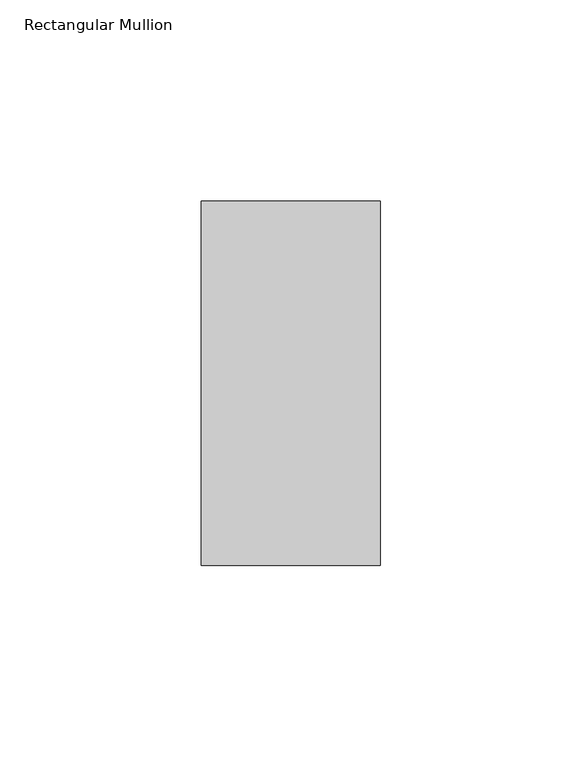
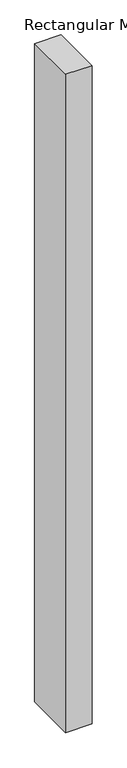
"""IFC4 building model written with IfcOpenShell, lengths in millimetres: member geometry, Rectangular Mullion."""

import ifcopenshell
import ifcopenshell.guid

model = None  # the IFC model being written
_history = None  # IfcOwnerHistory: only IFC2X3 demands one
_inside = {}  # id of a spatial element -> (the spatial element, [elements in it])
_under = {}  # id of a project, library or spatial element -> (it, [spatial elements below it])
_declared = {}  # id of a project -> (the project, [libraries it declares])
_typed = {}  # id of a type object -> (the type object, [elements of that type])
_made_of = {}  # id of a material, layer set ... -> (it, [elements and type objects made of it])


def new_model(schema):
    """Start an empty IFC model of exactly this schema.

    Asked for "IFC4X3", IfcOpenShell would pick the latest addendum, in which some entities
    have other attributes; the version numbers below select the first issue.
    IFC2X3 requires an IfcOwnerHistory on every rooted entity: one is made here for all.
    """
    global model, _history
    if schema == "IFC4X3":
        model = ifcopenshell.file(schema_version=(4, 3, 0, 0))
    else:
        model = ifcopenshell.file(schema=schema)
    _inside.clear()
    _under.clear()
    _declared.clear()
    _typed.clear()
    _made_of.clear()
    _history = None
    if model.schema == "IFC2X3":
        org = make("IfcOrganization", Name="unknown")
        user = make(
            "IfcPersonAndOrganization",
            ThePerson=make("IfcPerson", FamilyName="unknown"),
            TheOrganization=org,
        )
        app = make(
            "IfcApplication",
            ApplicationDeveloper=org,
            Version="unknown",
            ApplicationFullName="unknown",
            ApplicationIdentifier="unknown",
        )
        _history = make(
            "IfcOwnerHistory",
            OwningUser=user,
            OwningApplication=app,
            ChangeAction="ADDED",
            CreationDate=0,
        )
    return model


def make(cls, **values):
    """One entity of the class cls with the attributes given. An attribute that is None is left unset."""
    return model.create_entity(
        cls, **{name: value for name, value in values.items() if value is not None}
    )


def rooted(cls, **values):
    """An entity with a GlobalId (a new one), such as an element, a storey or a relation."""
    return make(cls, GlobalId=ifcopenshell.guid.new(), OwnerHistory=_history, **values)


def si_unit(unit_type, name, prefix=None):
    """IfcSIUnit, for example si_unit("LENGTHUNIT", "METRE", prefix="MILLI")."""
    return make("IfcSIUnit", UnitType=unit_type, Prefix=prefix, Name=name)


def assignment(units):
    """IfcUnitAssignment: the units of a project."""
    return None if units is None else make("IfcUnitAssignment", Units=units)


def point(xyz):
    """IfcCartesianPoint."""
    return None if xyz is None else make("IfcCartesianPoint", Coordinates=xyz)


def direction(xyz):
    """IfcDirection."""
    return None if xyz is None else make("IfcDirection", DirectionRatios=xyz)


def frame(location, z_axis=None, x_axis=None):
    """IfcAxis2Placement3D, a coordinate frame: its origin and axes. An axis left out is left unset."""
    return make(
        "IfcAxis2Placement3D",
        Location=point(location),
        Axis=direction(z_axis),
        RefDirection=direction(x_axis),
    )


def origin():
    """The frame at (0, 0, 0) with its axes left unset."""
    return frame((0.0, 0.0, 0.0))


def place(relative_to, where):
    """IfcLocalPlacement: puts the frame where relative to a parent placement (None: the world)."""
    return make(
        "IfcLocalPlacement", PlacementRelTo=relative_to, RelativePlacement=where
    )


def context(
    kind, dimensions, precision=None, world=None, true_north=None, identifier=None
):
    """IfcGeometricRepresentationContext, for example the 3D "Model" context."""
    return make(
        "IfcGeometricRepresentationContext",
        ContextIdentifier=identifier,
        ContextType=kind,
        CoordinateSpaceDimension=dimensions,
        Precision=precision,
        WorldCoordinateSystem=world,
        TrueNorth=true_north,
    )


def project(units=None, contexts=None):
    """IfcProject with its units and contexts."""
    return rooted(
        "IfcProject",
        Name="project",
        RepresentationContexts=contexts,
        UnitsInContext=assignment(units),
    )


def spatial(cls, under=None, at=None, **own):
    """A site, building, storey or space (cls), placed at a placement, below another one or the project."""
    s = rooted(cls, ObjectPlacement=at, **own)
    if under is not None:
        _under.setdefault(under.id(), (under, []))[1].append(s)
    return s


def polyline(points):
    """IfcPolyline through the points."""
    return make("IfcPolyline", Points=[point(p) for p in points])


def outline(outer, holes=None, kind="AREA"):
    """IfcArbitraryClosedProfileDef: a profile drawn as a closed curve; with holes, ...WithVoids."""
    if holes is None:
        return make("IfcArbitraryClosedProfileDef", ProfileType=kind, OuterCurve=outer)
    return make(
        "IfcArbitraryProfileDefWithVoids",
        ProfileType=kind,
        OuterCurve=outer,
        InnerCurves=holes,
    )


def extrude(swept, where, along, depth):
    """IfcExtrudedAreaSolid: the profile swept, set in the frame where, extruded along a direction by depth."""
    return make(
        "IfcExtrudedAreaSolid",
        SweptArea=swept,
        Position=where,
        ExtrudedDirection=direction(along),
        Depth=depth,
    )


def shape(context_of_items, identifier, shape_type, items):
    """IfcShapeRepresentation: the items that make up one representation, for example the "Body"."""
    return make(
        "IfcShapeRepresentation",
        ContextOfItems=context_of_items,
        RepresentationIdentifier=identifier,
        RepresentationType=shape_type,
        Items=items,
    )


def source(mapping_origin, context_of_items, identifier, shape_type, items):
    """IfcRepresentationMap: a shape defined once, which mapped items show again and again."""
    return make(
        "IfcRepresentationMap",
        MappingOrigin=mapping_origin,
        MappedRepresentation=shape(context_of_items, identifier, shape_type, items),
    )


def transform(
    local_origin,
    x_axis=None,
    y_axis=None,
    z_axis=None,
    scale=None,
    scale2=None,
    scale3=None,
    uniform=True,
):
    """IfcCartesianTransformationOperator3D, or its non-uniform kind. x_axis, y_axis, z_axis: its Axis1, 2, 3."""
    if uniform:
        return make(
            "IfcCartesianTransformationOperator3D",
            Axis1=direction(x_axis),
            Axis2=direction(y_axis),
            LocalOrigin=point(local_origin),
            Scale=scale,
            Axis3=direction(z_axis),
        )
    return make(
        "IfcCartesianTransformationOperator3DnonUniform",
        Axis1=direction(x_axis),
        Axis2=direction(y_axis),
        LocalOrigin=point(local_origin),
        Scale=scale,
        Axis3=direction(z_axis),
        Scale2=scale2,
        Scale3=scale3,
    )


def mapped(mapping_source, mapping_target):
    """IfcMappedItem: shows the shape of a source again, moved by a transform."""
    return make(
        "IfcMappedItem", MappingSource=mapping_source, MappingTarget=mapping_target
    )


def made_of(thing, what):
    """Note that an element or type object is made of a material, layer set ...; save() writes the relation."""
    if what is not None:
        _made_of.setdefault(what.id(), (what, []))[1].append(thing)
    return thing


def element(
    cls,
    number,
    at=None,
    inside=None,
    cuts=None,
    type_object=None,
    material=None,
    context=None,
    identifier="Body",
    shape_type=None,
    held_by="IfcProductDefinitionShape",
    body=None,
    shapes=None,
    **own,
):
    """One element of the class cls, such as IfcWall. Its Tag is "e" and its number.

    at: its placement. inside: the storey or other place that contains it. cuts: it is an
    opening in that element (IfcRelVoidsElement). A single representation is given by context,
    identifier, shape_type and body (its items); several are given by shapes. held_by: the class
    of the entity that holds the representations. save() writes the other relations.
    """
    e = rooted(cls, Tag="e%d" % number, ObjectPlacement=at, **own)
    if body is not None:
        shapes = [shape(context, identifier, shape_type, body)]
    if shapes is not None:
        e.Representation = make(held_by, Representations=shapes)
    if inside is not None:
        _inside.setdefault(inside.id(), (inside, []))[1].append(e)
    if cuts is not None:
        rooted(
            "IfcRelVoidsElement", RelatingBuildingElement=cuts, RelatedOpeningElement=e
        )
    if type_object is not None:
        _typed.setdefault(type_object.id(), (type_object, []))[1].append(e)
    return made_of(e, material)


def aggregate(whole, parts):
    """IfcRelAggregates: a whole, such as a stair, and the parts it consists of."""
    return rooted("IfcRelAggregates", RelatingObject=whole, RelatedObjects=parts)


def save(model, path):
    """Write the relations noted so far, then the file.

    IfcRelAggregates (storeys below a building ...), IfcRelContainedInSpatialStructure (elements
    in a storey), IfcRelDefinesByType, IfcRelAssociatesMaterial and IfcRelDeclares: one each for
    every whole, place, type object, material and project.
    """
    for whole, parts in _under.values():
        aggregate(whole, parts)
    for where, things in _inside.values():
        rooted(
            "IfcRelContainedInSpatialStructure",
            RelatedElements=things,
            RelatingStructure=where,
        )
    for kind, things in _typed.values():
        rooted("IfcRelDefinesByType", RelatedObjects=things, RelatingType=kind)
    for what, things in _made_of.values():
        rooted("IfcRelAssociatesMaterial", RelatedObjects=things, RelatingMaterial=what)
    for by, libraries in _declared.values():
        rooted("IfcRelDeclares", RelatingContext=by, RelatedDefinitions=libraries)
    model.write(path)


def rectangular_mullion_f91809ec(model_context):
    return source(origin(), model_context, "Body", "SweptSolid", [
        extrude(outline(polyline([(-44.4386654, 45.2274954), (0.0, 45.2274954), (0.0, -45.1980997), (-44.4386654, -45.1980997), (-44.4386654, 45.2274954)])), frame((0.0, 0.0, -1174.7539725), z_axis=(0.0, 0.0, 1.0), x_axis=(1.0, 0.0, 0.0)), (0.0, 0.0, 1.0), 1174.7539725),
    ])


if __name__ == "__main__":
    model = new_model("IFC4")
    model_context = context("Model", 3, world=origin())
    ifc_project = project(units=[si_unit("LENGTHUNIT", "METRE", prefix="MILLI")], contexts=[model_context])
    site = spatial("IfcSite", under=ifc_project)
    building = spatial("IfcBuilding", under=site)
    placement = place(None, origin())
    rectangular_mullion_shape = rectangular_mullion_f91809ec(model_context)
    element("IfcMember", 1, ObjectType="Rectangular Mullion", at=placement, inside=building, context=model_context, shape_type="MappedRepresentation", body=[
        mapped(rectangular_mullion_shape, transform((0.0, 0.0, 0.0), x_axis=(1.0, 0.0, 0.0), y_axis=(0.0, 1.0, 0.0), z_axis=(0.0, 0.0, 1.0))),
    ])
    save(model, "model.ifc")
